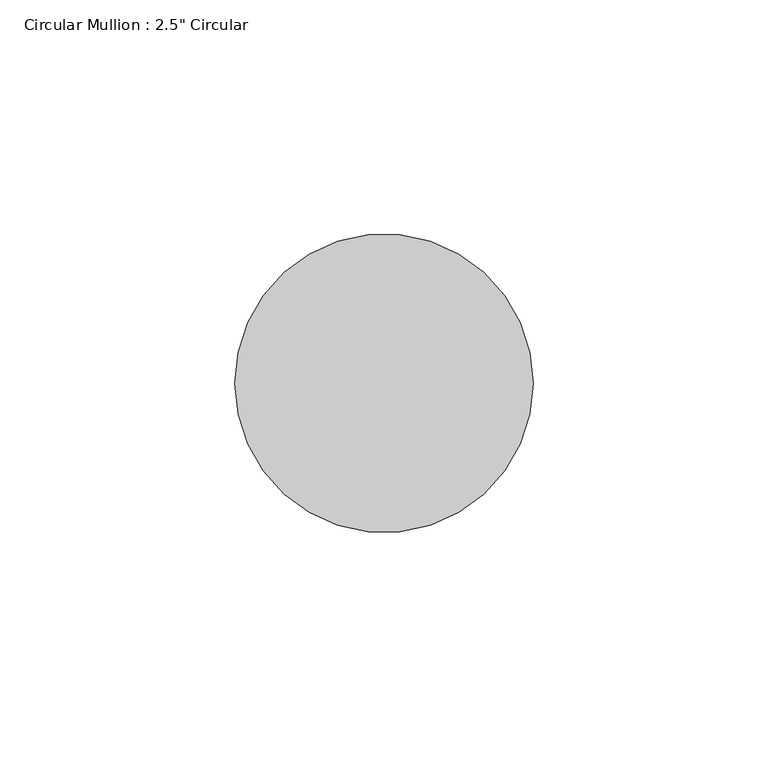
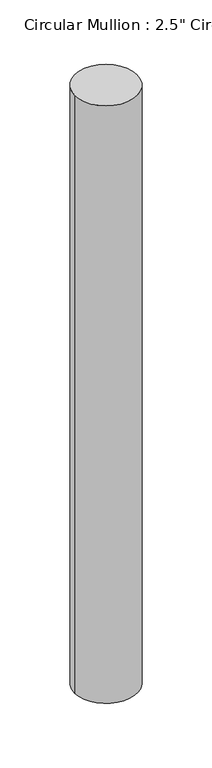
"""IFC4 building model written with IfcOpenShell, lengths in millimetres: member geometry."""

from ifc_helpers import new_model, si_unit, point, frame, origin, origin_2d, place, context, project, spatial, circle_curve, trimmed, segment, composite_curve, outline, extrude, source, transform, mapped, element, save


def member_2766cf23(model_context):
    return source(origin(), model_context, "Body", "SweptSolid", [
        extrude(outline(composite_curve([segment(trimmed(circle_curve(origin_2d(), 31.75), [point((31.75, 0.0))], [point((-31.75, 0.0))], False, "CARTESIAN"), True, "CONTINUOUS"), segment(trimmed(circle_curve(origin_2d(), 31.75), [point((-31.75, 0.0))], [point((31.75, 0.0))], False, "CARTESIAN"), True, "CONTINUOUS")], self_intersect=False)), frame((0.0, 0.0, -641.35), z_axis=(0.0, 0.0, 1.0), x_axis=(1.0, 0.0, 0.0)), (0.0, 0.0, 1.0), 641.35),
    ])


if __name__ == "__main__":
    model = new_model("IFC4")
    model_context = context("Model", 3, world=origin())
    ifc_project = project(units=[si_unit("LENGTHUNIT", "METRE", prefix="MILLI")], contexts=[model_context])
    site = spatial("IfcSite", under=ifc_project)
    building = spatial("IfcBuilding", under=site)
    placement = place(None, origin())
    member_shape = member_2766cf23(model_context)
    element("IfcMember", 1, ObjectType="Circular Mullion : 2.5\" Circular", at=placement, inside=building, context=model_context, shape_type="MappedRepresentation", body=[
        mapped(member_shape, transform((0.0, 0.0, 0.0), x_axis=(1.0, 0.0, 0.0), y_axis=(0.0, 1.0, 0.0), z_axis=(0.0, 0.0, 1.0))),
    ])
    save(model, "model.ifc")
